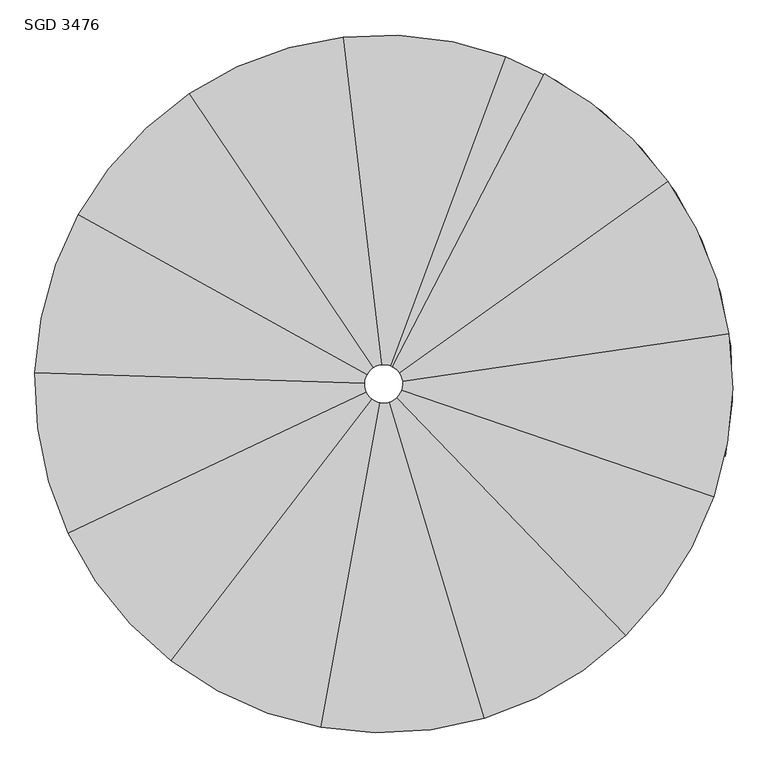
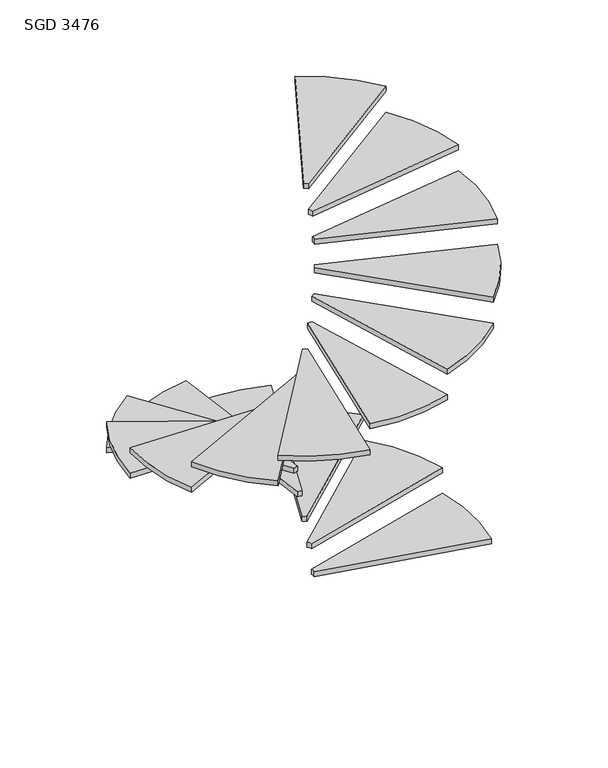
"""IFC4 building model written with IfcOpenShell, lengths in millimetres: stair flight geometry, SGD 3476."""

import ifcopenshell
import ifcopenshell.guid

model = None  # the IFC model being written
_history = None  # IfcOwnerHistory: only IFC2X3 demands one
_inside = {}  # id of a spatial element -> (the spatial element, [elements in it])
_under = {}  # id of a project, library or spatial element -> (it, [spatial elements below it])
_declared = {}  # id of a project -> (the project, [libraries it declares])
_typed = {}  # id of a type object -> (the type object, [elements of that type])
_made_of = {}  # id of a material, layer set ... -> (it, [elements and type objects made of it])


def new_model(schema):
    """Start an empty IFC model of exactly this schema.

    Asked for "IFC4X3", IfcOpenShell would pick the latest addendum, in which some entities
    have other attributes; the version numbers below select the first issue.
    IFC2X3 requires an IfcOwnerHistory on every rooted entity: one is made here for all.
    """
    global model, _history
    if schema == "IFC4X3":
        model = ifcopenshell.file(schema_version=(4, 3, 0, 0))
    else:
        model = ifcopenshell.file(schema=schema)
    _inside.clear()
    _under.clear()
    _declared.clear()
    _typed.clear()
    _made_of.clear()
    _history = None
    if model.schema == "IFC2X3":
        org = make("IfcOrganization", Name="unknown")
        user = make(
            "IfcPersonAndOrganization",
            ThePerson=make("IfcPerson", FamilyName="unknown"),
            TheOrganization=org,
        )
        app = make(
            "IfcApplication",
            ApplicationDeveloper=org,
            Version="unknown",
            ApplicationFullName="unknown",
            ApplicationIdentifier="unknown",
        )
        _history = make(
            "IfcOwnerHistory",
            OwningUser=user,
            OwningApplication=app,
            ChangeAction="ADDED",
            CreationDate=0,
        )
    return model


def make(cls, **values):
    """One entity of the class cls with the attributes given. An attribute that is None is left unset."""
    return model.create_entity(
        cls, **{name: value for name, value in values.items() if value is not None}
    )


def rooted(cls, **values):
    """An entity with a GlobalId (a new one), such as an element, a storey or a relation."""
    return make(cls, GlobalId=ifcopenshell.guid.new(), OwnerHistory=_history, **values)


def si_unit(unit_type, name, prefix=None):
    """IfcSIUnit, for example si_unit("LENGTHUNIT", "METRE", prefix="MILLI")."""
    return make("IfcSIUnit", UnitType=unit_type, Prefix=prefix, Name=name)


def assignment(units):
    """IfcUnitAssignment: the units of a project."""
    return None if units is None else make("IfcUnitAssignment", Units=units)


def point(xyz):
    """IfcCartesianPoint."""
    return None if xyz is None else make("IfcCartesianPoint", Coordinates=xyz)


def direction(xyz):
    """IfcDirection."""
    return None if xyz is None else make("IfcDirection", DirectionRatios=xyz)


def frame(location, z_axis=None, x_axis=None):
    """IfcAxis2Placement3D, a coordinate frame: its origin and axes. An axis left out is left unset."""
    return make(
        "IfcAxis2Placement3D",
        Location=point(location),
        Axis=direction(z_axis),
        RefDirection=direction(x_axis),
    )


def frame_2d(location, x_axis=None):
    """IfcAxis2Placement2D, a coordinate frame in the plane: its origin and x axis."""
    return make(
        "IfcAxis2Placement2D", Location=point(location), RefDirection=direction(x_axis)
    )


def origin():
    """The frame at (0, 0, 0) with its axes left unset."""
    return frame((0.0, 0.0, 0.0))


def place(relative_to, where):
    """IfcLocalPlacement: puts the frame where relative to a parent placement (None: the world)."""
    return make(
        "IfcLocalPlacement", PlacementRelTo=relative_to, RelativePlacement=where
    )


def context(
    kind, dimensions, precision=None, world=None, true_north=None, identifier=None
):
    """IfcGeometricRepresentationContext, for example the 3D "Model" context."""
    return make(
        "IfcGeometricRepresentationContext",
        ContextIdentifier=identifier,
        ContextType=kind,
        CoordinateSpaceDimension=dimensions,
        Precision=precision,
        WorldCoordinateSystem=world,
        TrueNorth=true_north,
    )


def project(units=None, contexts=None):
    """IfcProject with its units and contexts."""
    return rooted(
        "IfcProject",
        Name="project",
        RepresentationContexts=contexts,
        UnitsInContext=assignment(units),
    )


def spatial(cls, under=None, at=None, **own):
    """A site, building, storey or space (cls), placed at a placement, below another one or the project."""
    s = rooted(cls, ObjectPlacement=at, **own)
    if under is not None:
        _under.setdefault(under.id(), (under, []))[1].append(s)
    return s


def polyline(points):
    """IfcPolyline through the points."""
    return make("IfcPolyline", Points=[point(p) for p in points])


def circle_curve(where, radius):
    """IfcCircle in the frame where."""
    return make("IfcCircle", Position=where, Radius=radius)


def trimmed(basis, trim1, trim2, sense, master):
    """IfcTrimmedCurve: the piece of a basis curve between two trims."""
    return make(
        "IfcTrimmedCurve",
        BasisCurve=basis,
        Trim1=trim1,
        Trim2=trim2,
        SenseAgreement=sense,
        MasterRepresentation=master,
    )


def segment(curve, same_sense, transition):
    """IfcCompositeCurveSegment."""
    return make(
        "IfcCompositeCurveSegment",
        Transition=transition,
        SameSense=same_sense,
        ParentCurve=curve,
    )


def composite_curve(segments, self_intersect=None):
    """IfcCompositeCurve: segments joined end to end."""
    return make("IfcCompositeCurve", Segments=segments, SelfIntersect=self_intersect)


def outline(outer, holes=None, kind="AREA"):
    """IfcArbitraryClosedProfileDef: a profile drawn as a closed curve; with holes, ...WithVoids."""
    if holes is None:
        return make("IfcArbitraryClosedProfileDef", ProfileType=kind, OuterCurve=outer)
    return make(
        "IfcArbitraryProfileDefWithVoids",
        ProfileType=kind,
        OuterCurve=outer,
        InnerCurves=holes,
    )


def extrude(swept, where, along, depth):
    """IfcExtrudedAreaSolid: the profile swept, set in the frame where, extruded along a direction by depth."""
    return make(
        "IfcExtrudedAreaSolid",
        SweptArea=swept,
        Position=where,
        ExtrudedDirection=direction(along),
        Depth=depth,
    )


def shape(context_of_items, identifier, shape_type, items):
    """IfcShapeRepresentation: the items that make up one representation, for example the "Body"."""
    return make(
        "IfcShapeRepresentation",
        ContextOfItems=context_of_items,
        RepresentationIdentifier=identifier,
        RepresentationType=shape_type,
        Items=items,
    )


def source(mapping_origin, context_of_items, identifier, shape_type, items):
    """IfcRepresentationMap: a shape defined once, which mapped items show again and again."""
    return make(
        "IfcRepresentationMap",
        MappingOrigin=mapping_origin,
        MappedRepresentation=shape(context_of_items, identifier, shape_type, items),
    )


def transform(
    local_origin,
    x_axis=None,
    y_axis=None,
    z_axis=None,
    scale=None,
    scale2=None,
    scale3=None,
    uniform=True,
):
    """IfcCartesianTransformationOperator3D, or its non-uniform kind. x_axis, y_axis, z_axis: its Axis1, 2, 3."""
    if uniform:
        return make(
            "IfcCartesianTransformationOperator3D",
            Axis1=direction(x_axis),
            Axis2=direction(y_axis),
            LocalOrigin=point(local_origin),
            Scale=scale,
            Axis3=direction(z_axis),
        )
    return make(
        "IfcCartesianTransformationOperator3DnonUniform",
        Axis1=direction(x_axis),
        Axis2=direction(y_axis),
        LocalOrigin=point(local_origin),
        Scale=scale,
        Axis3=direction(z_axis),
        Scale2=scale2,
        Scale3=scale3,
    )


def mapped(mapping_source, mapping_target):
    """IfcMappedItem: shows the shape of a source again, moved by a transform."""
    return make(
        "IfcMappedItem", MappingSource=mapping_source, MappingTarget=mapping_target
    )


def made_of(thing, what):
    """Note that an element or type object is made of a material, layer set ...; save() writes the relation."""
    if what is not None:
        _made_of.setdefault(what.id(), (what, []))[1].append(thing)
    return thing


def element(
    cls,
    number,
    at=None,
    inside=None,
    cuts=None,
    type_object=None,
    material=None,
    context=None,
    identifier="Body",
    shape_type=None,
    held_by="IfcProductDefinitionShape",
    body=None,
    shapes=None,
    **own,
):
    """One element of the class cls, such as IfcWall. Its Tag is "e" and its number.

    at: its placement. inside: the storey or other place that contains it. cuts: it is an
    opening in that element (IfcRelVoidsElement). A single representation is given by context,
    identifier, shape_type and body (its items); several are given by shapes. held_by: the class
    of the entity that holds the representations. save() writes the other relations.
    """
    e = rooted(cls, Tag="e%d" % number, ObjectPlacement=at, **own)
    if body is not None:
        shapes = [shape(context, identifier, shape_type, body)]
    if shapes is not None:
        e.Representation = make(held_by, Representations=shapes)
    if inside is not None:
        _inside.setdefault(inside.id(), (inside, []))[1].append(e)
    if cuts is not None:
        rooted(
            "IfcRelVoidsElement", RelatingBuildingElement=cuts, RelatedOpeningElement=e
        )
    if type_object is not None:
        _typed.setdefault(type_object.id(), (type_object, []))[1].append(e)
    return made_of(e, material)


def aggregate(whole, parts):
    """IfcRelAggregates: a whole, such as a stair, and the parts it consists of."""
    return rooted("IfcRelAggregates", RelatingObject=whole, RelatedObjects=parts)


def save(model, path):
    """Write the relations noted so far, then the file.

    IfcRelAggregates (storeys below a building ...), IfcRelContainedInSpatialStructure (elements
    in a storey), IfcRelDefinesByType, IfcRelAssociatesMaterial and IfcRelDeclares: one each for
    every whole, place, type object, material and project.
    """
    for whole, parts in _under.values():
        aggregate(whole, parts)
    for where, things in _inside.values():
        rooted(
            "IfcRelContainedInSpatialStructure",
            RelatedElements=things,
            RelatingStructure=where,
        )
    for kind, things in _typed.values():
        rooted("IfcRelDefinesByType", RelatedObjects=things, RelatingType=kind)
    for what, things in _made_of.values():
        rooted("IfcRelAssociatesMaterial", RelatedObjects=things, RelatingMaterial=what)
    for by, libraries in _declared.values():
        rooted("IfcRelDeclares", RelatingContext=by, RelatedDefinitions=libraries)
    model.write(path)


def sgd_3476_a9b6d1cd(model_context):
    return source(origin(), model_context, "Body", "SweptSolid", [
        extrude(outline(composite_curve([segment(polyline([(-406.0617948, -1044.8187514), (623.9747451, -764.1341541)]), True, "CONTINUOUS"), segment(trimmed(circle_curve(frame_2d((-466.4036211, -1061.261878)), 1130.1371004), [point((623.9747451, -764.1341541))], [point((639.3942945, -1294.5446151))], False, "CARTESIAN"), True, "CONTINUOUS"), segment(polyline([(639.3942945, -1294.5446151), (-405.2084729, -1074.1718062)]), True, "CONTINUOUS"), segment(trimmed(circle_curve(frame_2d((-466.4036211, -1061.261878)), 62.5420851), [point((-405.2084729, -1074.1718062))], [point((-406.0617948, -1044.8187514))], True, "CARTESIAN"), True, "CONTINUOUS")], self_intersect=False)), frame((0.0, 0.0, -4708.5154589), z_axis=(0.0, 0.0, 1.0), x_axis=(1.0, 0.0, 0.0)), (0.0, 0.0, 1.0), 35.0),
        extrude(outline(composite_curve([segment(polyline([(-420.2180442, -1019.0907397), (368.1709506, -299.2283158)]), True, "CONTINUOUS"), segment(trimmed(circle_curve(frame_2d((-466.4036211, -1061.261878)), 1130.1371004), [point((368.1709506, -299.2283158))], [point((623.9747451, -764.1341541))], False, "CARTESIAN"), True, "CONTINUOUS"), segment(polyline([(623.9747451, -764.1341541), (-406.0617948, -1044.8187514)]), True, "CONTINUOUS"), segment(trimmed(circle_curve(frame_2d((-466.4036211, -1061.261878)), 62.5420851), [point((-406.0617948, -1044.8187514))], [point((-420.2180442, -1019.0907397))], True, "CARTESIAN"), True, "CONTINUOUS")], self_intersect=False)), frame((0.0, 0.0, -4529.2213413), z_axis=(0.0, 0.0, 1.0), x_axis=(1.0, 0.0, 0.0)), (0.0, 0.0, 1.0), 35.0),
        extrude(outline(composite_curve([segment(polyline([(-444.5563418, -1002.6597551), (-71.6227178, -2.3199985)]), True, "CONTINUOUS"), segment(trimmed(circle_curve(frame_2d((-466.4036211, -1061.261878)), 1130.1371004), [point((-71.6227178, -2.3199985))], [point((368.1709506, -299.2283158))], False, "CARTESIAN"), True, "CONTINUOUS"), segment(polyline([(368.1709506, -299.2283158), (-420.2180442, -1019.0907397)]), True, "CONTINUOUS"), segment(trimmed(circle_curve(frame_2d((-466.4036211, -1061.261878)), 62.5420851), [point((-420.2180442, -1019.0907397))], [point((-444.5563418, -1002.6597551))], True, "CARTESIAN"), True, "CONTINUOUS")], self_intersect=False)), frame((0.0, 0.0, -4349.9272236), z_axis=(0.0, 0.0, 1.0), x_axis=(1.0, 0.0, 0.0)), (0.0, 0.0, 1.0), 35.0),
        extrude(outline(composite_curve([segment(polyline([(-473.7110792, -999.1481639), (-598.449578, 61.1345453)]), True, "CONTINUOUS"), segment(trimmed(circle_curve(frame_2d((-466.4036211, -1061.261878)), 1130.1371004), [point((-598.449578, 61.1345453))], [point((-71.6227178, -2.3199985))], False, "CARTESIAN"), True, "CONTINUOUS"), segment(polyline([(-71.6227178, -2.3199985), (-444.5563418, -1002.6597551)]), True, "CONTINUOUS"), segment(trimmed(circle_curve(frame_2d((-466.4036211, -1061.261878)), 62.5420851), [point((-444.5563418, -1002.6597551))], [point((-473.7110792, -999.1481639))], True, "CARTESIAN"), True, "CONTINUOUS")], self_intersect=False)), frame((0.0, 0.0, -4170.633106), z_axis=(0.0, 0.0, 1.0), x_axis=(1.0, 0.0, 0.0)), (0.0, 0.0, 1.0), 35.0),
        extrude(outline(composite_curve([segment(polyline([(-501.2548181, -1009.3301297), (-1096.1656555, -122.85384)]), True, "CONTINUOUS"), segment(trimmed(circle_curve(frame_2d((-466.4036211, -1061.261878)), 1130.1371004), [point((-1096.1656555, -122.85384))], [point((-598.449578, 61.1345453))], False, "CARTESIAN"), True, "CONTINUOUS"), segment(polyline([(-598.449578, 61.1345453), (-473.7110792, -999.1481639)]), True, "CONTINUOUS"), segment(trimmed(circle_curve(frame_2d((-466.4036211, -1061.261878)), 62.5420851), [point((-473.7110792, -999.1481639))], [point((-501.2548181, -1009.3301297))], True, "CARTESIAN"), True, "CONTINUOUS")], self_intersect=False)), frame((0.0, 0.0, -3991.3389884), z_axis=(0.0, 0.0, 1.0), x_axis=(1.0, 0.0, 0.0)), (0.0, 0.0, 1.0), 35.0),
        extrude(outline(composite_curve([segment(polyline([(-521.1152804, -1030.9609416), (-1455.0447239, -513.723171)]), True, "CONTINUOUS"), segment(trimmed(circle_curve(frame_2d((-466.4036211, -1061.261878)), 1130.1371004), [point((-1455.0447239, -513.723171))], [point((-1096.1656555, -122.85384))], False, "CARTESIAN"), True, "CONTINUOUS"), segment(polyline([(-1096.1656555, -122.85384), (-501.2548181, -1009.3301297)]), True, "CONTINUOUS"), segment(trimmed(circle_curve(frame_2d((-466.4036211, -1061.261878)), 62.5420851), [point((-501.2548181, -1009.3301297))], [point((-521.1152804, -1030.9609416))], True, "CARTESIAN"), True, "CONTINUOUS")], self_intersect=False)), frame((0.0, 0.0, -3812.0448707), z_axis=(0.0, 0.0, 1.0), x_axis=(1.0, 0.0, 0.0)), (0.0, 0.0, 1.0), 35.0),
        extrude(outline(composite_curve([segment(polyline([(-528.9140389, -1059.271882), (-1595.9684913, -1025.3025993)]), True, "CONTINUOUS"), segment(trimmed(circle_curve(frame_2d((-466.4036211, -1061.261878)), 1130.1371004), [point((-1595.9684913, -1025.3025993))], [point((-1455.0447239, -513.723171))], False, "CARTESIAN"), True, "CONTINUOUS"), segment(polyline([(-1455.0447239, -513.723171), (-521.1152804, -1030.9609416)]), True, "CONTINUOUS"), segment(trimmed(circle_curve(frame_2d((-466.4036211, -1061.261878)), 62.5420851), [point((-521.1152804, -1030.9609416))], [point((-528.9140389, -1059.271882))], True, "CARTESIAN"), True, "CONTINUOUS")], self_intersect=False)), frame((0.0, 0.0, -3632.7507531), z_axis=(0.0, 0.0, 1.0), x_axis=(1.0, 0.0, 0.0)), (0.0, 0.0, 1.0), 35.0),
        extrude(outline(composite_curve([segment(polyline([(-522.9317833, -1088.021536), (-1487.8689776, -1544.8095914)]), True, "CONTINUOUS"), segment(trimmed(circle_curve(frame_2d((-466.4036211, -1061.261878)), 1130.1371004), [point((-1487.8689776, -1544.8095914))], [point((-1595.9684913, -1025.3025993))], False, "CARTESIAN"), True, "CONTINUOUS"), segment(polyline([(-1595.9684913, -1025.3025993), (-528.9140389, -1059.271882)]), True, "CONTINUOUS"), segment(trimmed(circle_curve(frame_2d((-466.4036211, -1061.261878)), 62.5420851), [point((-528.9140389, -1059.271882))], [point((-522.9317833, -1088.021536))], True, "CARTESIAN"), True, "CONTINUOUS")], self_intersect=False)), frame((0.0, 0.0, -3453.4566354), z_axis=(0.0, 0.0, 1.0), x_axis=(1.0, 0.0, 0.0)), (0.0, 0.0, 1.0), 35.0),
        extrude(outline(composite_curve([segment(polyline([(-504.4873586, -1110.8717697), (-1154.5777451, -1957.7139073)]), True, "CONTINUOUS"), segment(trimmed(circle_curve(frame_2d((-466.4036211, -1061.261878)), 1130.1371004), [point((-1154.5777451, -1957.7139073))], [point((-1487.8689776, -1544.8095914))], False, "CARTESIAN"), True, "CONTINUOUS"), segment(polyline([(-1487.8689776, -1544.8095914), (-522.9317833, -1088.021536)]), True, "CONTINUOUS"), segment(trimmed(circle_curve(frame_2d((-466.4036211, -1061.261878)), 62.5420851), [point((-522.9317833, -1088.021536))], [point((-504.4873586, -1110.8717697))], True, "CARTESIAN"), True, "CONTINUOUS")], self_intersect=False)), frame((0.0, 0.0, -3274.1625178), z_axis=(0.0, 0.0, 1.0), x_axis=(1.0, 0.0, 0.0)), (0.0, 0.0, 1.0), 35.0),
        extrude(outline(composite_curve([segment(polyline([(-477.647013, -1122.7850326), (-669.5720047, -2172.9868771)]), True, "CONTINUOUS"), segment(trimmed(circle_curve(frame_2d((-466.4036211, -1061.261878)), 1130.1371004), [point((-669.5720047, -2172.9868771))], [point((-1154.5777451, -1957.7139073))], False, "CARTESIAN"), True, "CONTINUOUS"), segment(polyline([(-1154.5777451, -1957.7139073), (-504.4873586, -1110.8717697)]), True, "CONTINUOUS"), segment(trimmed(circle_curve(frame_2d((-466.4036211, -1061.261878)), 62.5420851), [point((-504.4873586, -1110.8717697))], [point((-477.647013, -1122.7850326))], True, "CARTESIAN"), True, "CONTINUOUS")], self_intersect=False)), frame((0.0, 0.0, -3094.8684001), z_axis=(0.0, 0.0, 1.0), x_axis=(1.0, 0.0, 0.0)), (0.0, 0.0, 1.0), 35.0),
        extrude(outline(composite_curve([segment(polyline([(-448.3279552, -1121.134933), (-139.7758687, -2143.1695344)]), True, "CONTINUOUS"), segment(trimmed(circle_curve(frame_2d((-466.4036211, -1061.261878)), 1130.1371004), [point((-139.7758687, -2143.1695344))], [point((-669.5720047, -2172.9868771))], False, "CARTESIAN"), True, "CONTINUOUS"), segment(polyline([(-669.5720047, -2172.9868771), (-477.647013, -1122.7850326)]), True, "CONTINUOUS"), segment(trimmed(circle_curve(frame_2d((-466.4036211, -1061.261878)), 62.5420851), [point((-477.647013, -1122.7850326))], [point((-448.3279552, -1121.134933))], True, "CARTESIAN"), True, "CONTINUOUS")], self_intersect=False)), frame((0.0, 0.0, -2915.5742825), z_axis=(0.0, 0.0, 1.0), x_axis=(1.0, 0.0, 0.0)), (0.0, 0.0, 1.0), 35.0),
        extrude(outline(composite_curve([segment(polyline([(-422.9938492, -1106.285251), (318.0120837, -1874.8353951)]), True, "CONTINUOUS"), segment(trimmed(circle_curve(frame_2d((-466.4036211, -1061.261878)), 1130.1371004), [point((318.0120837, -1874.8353951))], [point((-139.7758687, -2143.1695344))], False, "CARTESIAN"), True, "CONTINUOUS"), segment(polyline([(-139.7758687, -2143.1695344), (-448.3279552, -1121.134933)]), True, "CONTINUOUS"), segment(trimmed(circle_curve(frame_2d((-466.4036211, -1061.261878)), 62.5420851), [point((-448.3279552, -1121.134933))], [point((-422.9938492, -1106.285251))], True, "CARTESIAN"), True, "CONTINUOUS")], self_intersect=False)), frame((0.0, 0.0, -2736.2801648), z_axis=(0.0, 0.0, 1.0), x_axis=(1.0, 0.0, 0.0)), (0.0, 0.0, 1.0), 35.0),
        extrude(outline(composite_curve([segment(polyline([(-407.2298388, -1081.5097396), (602.8681597, -1427.1412632)]), True, "CONTINUOUS"), segment(trimmed(circle_curve(frame_2d((-466.4036211, -1061.261878)), 1130.1371004), [point((602.8681597, -1427.1412632))], [point((318.0120837, -1874.8353951))], False, "CARTESIAN"), True, "CONTINUOUS"), segment(polyline([(318.0120837, -1874.8353951), (-422.9938492, -1106.285251)]), True, "CONTINUOUS"), segment(trimmed(circle_curve(frame_2d((-466.4036211, -1061.261878)), 62.5420851), [point((-422.9938492, -1106.285251))], [point((-407.2298388, -1081.5097396))], True, "CARTESIAN"), True, "CONTINUOUS")], self_intersect=False)), frame((0.0, 0.0, -2556.9860472), z_axis=(0.0, 0.0, 1.0), x_axis=(1.0, 0.0, 0.0)), (0.0, 0.0, 1.0), 35.0),
        extrude(outline(composite_curve([segment(polyline([(-404.5112496, -1052.2703953), (651.9931375, -898.7855533)]), True, "CONTINUOUS"), segment(trimmed(circle_curve(frame_2d((-466.4036211, -1061.261878)), 1130.1371004), [point((651.9931375, -898.7855533))], [point((602.8681597, -1427.1412632))], False, "CARTESIAN"), True, "CONTINUOUS"), segment(polyline([(602.8681597, -1427.1412632), (-407.2298388, -1081.5097396)]), True, "CONTINUOUS"), segment(trimmed(circle_curve(frame_2d((-466.4036211, -1061.261878)), 62.5420851), [point((-407.2298388, -1081.5097396))], [point((-404.5112496, -1052.2703953))], True, "CARTESIAN"), True, "CONTINUOUS")], self_intersect=False)), frame((0.0, 0.0, -2377.6919295), z_axis=(0.0, 0.0, 1.0), x_axis=(1.0, 0.0, 0.0)), (0.0, 0.0, 1.0), 35.0),
        extrude(outline(composite_curve([segment(polyline([(-415.4374202, -1025.0133086), (454.5569502, -406.2492889)]), True, "CONTINUOUS"), segment(trimmed(circle_curve(frame_2d((-466.4036211, -1061.261878)), 1130.1371004), [point((454.5569502, -406.2492889))], [point((651.9931375, -898.7855533))], False, "CARTESIAN"), True, "CONTINUOUS"), segment(polyline([(651.9931375, -898.7855533), (-404.5112496, -1052.2703953)]), True, "CONTINUOUS"), segment(trimmed(circle_curve(frame_2d((-466.4036211, -1061.261878)), 62.5420851), [point((-404.5112496, -1052.2703953))], [point((-415.4374202, -1025.0133086))], True, "CARTESIAN"), True, "CONTINUOUS")], self_intersect=False)), frame((0.0, 0.0, -2198.3978119), z_axis=(0.0, 0.0, 1.0), x_axis=(1.0, 0.0, 0.0)), (0.0, 0.0, 1.0), 35.0),
        extrude(outline(composite_curve([segment(polyline([(-437.5995729, -1005.7475625), (54.0862765, -58.1167578)]), True, "CONTINUOUS"), segment(trimmed(circle_curve(frame_2d((-466.4036211, -1061.261878)), 1130.1371004), [point((54.0862765, -58.1167578))], [point((454.5569502, -406.2492889))], False, "CARTESIAN"), True, "CONTINUOUS"), segment(polyline([(454.5569502, -406.2492889), (-415.4374202, -1025.0133086)]), True, "CONTINUOUS"), segment(trimmed(circle_curve(frame_2d((-466.4036211, -1061.261878)), 62.5420851), [point((-415.4374202, -1025.0133086))], [point((-437.5995729, -1005.7475625))], True, "CARTESIAN"), True, "CONTINUOUS")], self_intersect=False)), frame((0.0, 0.0, -2019.1036942), z_axis=(0.0, 0.0, 1.0), x_axis=(1.0, 0.0, 0.0)), (0.0, 0.0, 1.0), 35.0),
    ])


if __name__ == "__main__":
    model = new_model("IFC4")
    model_context = context("Model", 3, world=origin())
    ifc_project = project(units=[si_unit("LENGTHUNIT", "METRE", prefix="MILLI")], contexts=[model_context])
    site = spatial("IfcSite", under=ifc_project)
    building = spatial("IfcBuilding", under=site)
    placement = place(None, origin())
    sgd_3476_shape = sgd_3476_a9b6d1cd(model_context)
    element("IfcStairFlight", 1, ObjectType="SGD 3476", at=placement, inside=building, context=model_context, shape_type="MappedRepresentation", body=[
        mapped(sgd_3476_shape, transform((0.0, 0.0, 0.0), x_axis=(1.0, 0.0, 0.0), y_axis=(0.0, 1.0, 0.0), z_axis=(0.0, 0.0, 1.0))),
    ])
    save(model, "model.ifc")
